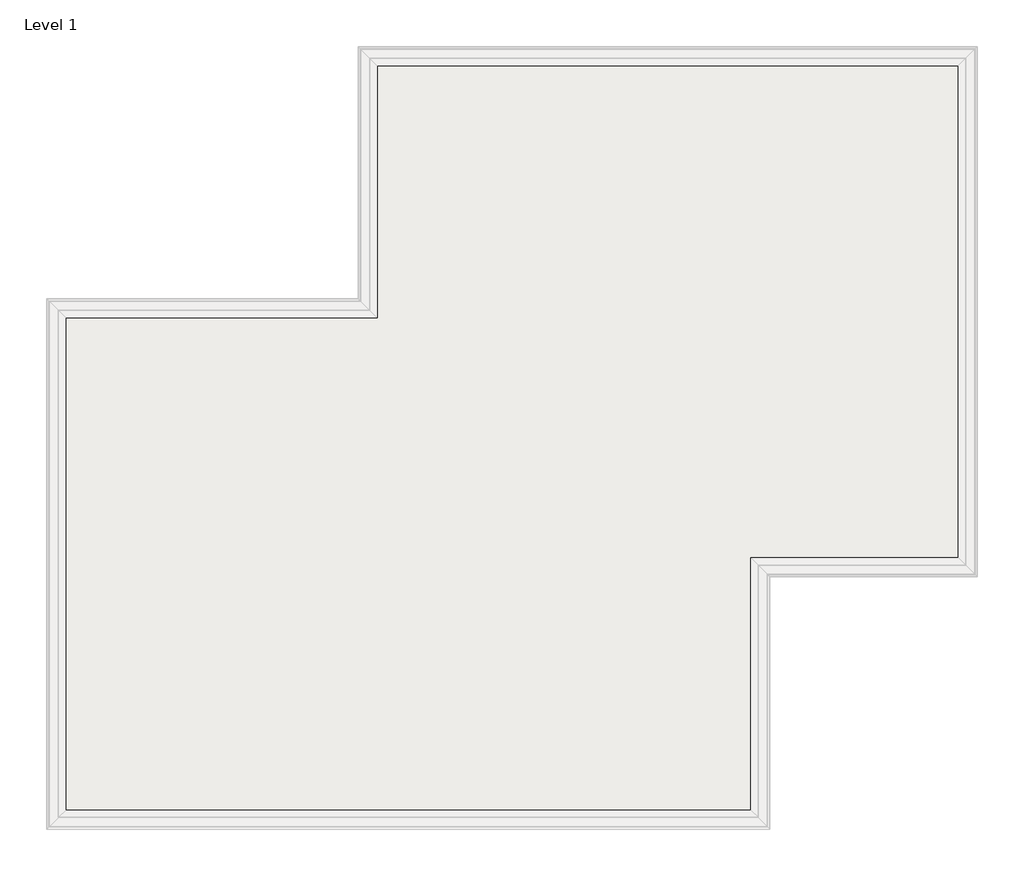
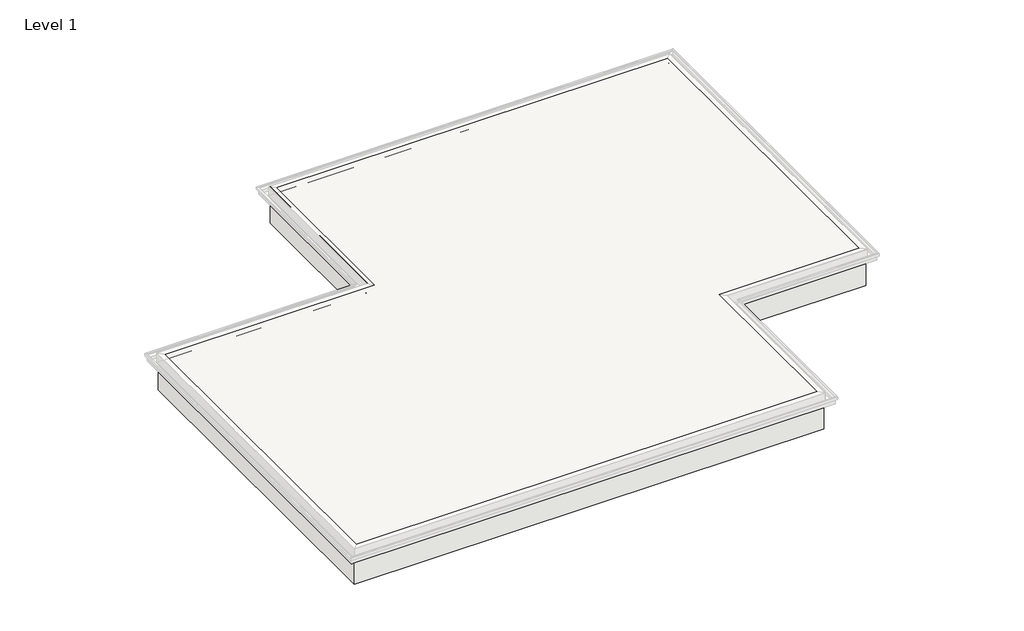
# One storey, part 14 of 16: 1 roof.
"""IFC4 building model written with IfcOpenShell, lengths in millimetres."""

import ifcopenshell
import ifcopenshell.guid

model = None  # the IFC model being written
_history = None  # IfcOwnerHistory: only IFC2X3 demands one
_inside = {}  # id of a spatial element -> (the spatial element, [elements in it])
_under = {}  # id of a project, library or spatial element -> (it, [spatial elements below it])
_declared = {}  # id of a project -> (the project, [libraries it declares])
_typed = {}  # id of a type object -> (the type object, [elements of that type])
_made_of = {}  # id of a material, layer set ... -> (it, [elements and type objects made of it])


def new_model(schema):
    """Start an empty IFC model of exactly this schema.

    Asked for "IFC4X3", IfcOpenShell would pick the latest addendum, in which some entities
    have other attributes; the version numbers below select the first issue.
    IFC2X3 requires an IfcOwnerHistory on every rooted entity: one is made here for all.
    """
    global model, _history
    if schema == "IFC4X3":
        model = ifcopenshell.file(schema_version=(4, 3, 0, 0))
    else:
        model = ifcopenshell.file(schema=schema)
    _inside.clear()
    _under.clear()
    _declared.clear()
    _typed.clear()
    _made_of.clear()
    _history = None
    if model.schema == "IFC2X3":
        org = make("IfcOrganization", Name="unknown")
        user = make(
            "IfcPersonAndOrganization",
            ThePerson=make("IfcPerson", FamilyName="unknown"),
            TheOrganization=org,
        )
        app = make(
            "IfcApplication",
            ApplicationDeveloper=org,
            Version="unknown",
            ApplicationFullName="unknown",
            ApplicationIdentifier="unknown",
        )
        _history = make(
            "IfcOwnerHistory",
            OwningUser=user,
            OwningApplication=app,
            ChangeAction="ADDED",
            CreationDate=0,
        )
    return model


def make(cls, **values):
    """One entity of the class cls with the attributes given. An attribute that is None is left unset."""
    return model.create_entity(
        cls, **{name: value for name, value in values.items() if value is not None}
    )


def rooted(cls, **values):
    """An entity with a GlobalId (a new one), such as an element, a storey or a relation."""
    return make(cls, GlobalId=ifcopenshell.guid.new(), OwnerHistory=_history, **values)


def si_unit(unit_type, name, prefix=None):
    """IfcSIUnit, for example si_unit("LENGTHUNIT", "METRE", prefix="MILLI")."""
    return make("IfcSIUnit", UnitType=unit_type, Prefix=prefix, Name=name)


def assignment(units):
    """IfcUnitAssignment: the units of a project."""
    return None if units is None else make("IfcUnitAssignment", Units=units)


def point(xyz):
    """IfcCartesianPoint."""
    return None if xyz is None else make("IfcCartesianPoint", Coordinates=xyz)


def direction(xyz):
    """IfcDirection."""
    return None if xyz is None else make("IfcDirection", DirectionRatios=xyz)


def frame(location, z_axis=None, x_axis=None):
    """IfcAxis2Placement3D, a coordinate frame: its origin and axes. An axis left out is left unset."""
    return make(
        "IfcAxis2Placement3D",
        Location=point(location),
        Axis=direction(z_axis),
        RefDirection=direction(x_axis),
    )


def origin():
    """The frame at (0, 0, 0) with its axes left unset."""
    return frame((0.0, 0.0, 0.0))


def origin_with_axes():
    """The frame at (0, 0, 0) with the z axis (0, 0, 1) and the x axis (1, 0, 0) written out."""
    return frame((0.0, 0.0, 0.0), z_axis=(0.0, 0.0, 1.0), x_axis=(1.0, 0.0, 0.0))


def place(relative_to, where):
    """IfcLocalPlacement: puts the frame where relative to a parent placement (None: the world)."""
    return make(
        "IfcLocalPlacement", PlacementRelTo=relative_to, RelativePlacement=where
    )


def context(
    kind, dimensions, precision=None, world=None, true_north=None, identifier=None
):
    """IfcGeometricRepresentationContext, for example the 3D "Model" context."""
    return make(
        "IfcGeometricRepresentationContext",
        ContextIdentifier=identifier,
        ContextType=kind,
        CoordinateSpaceDimension=dimensions,
        Precision=precision,
        WorldCoordinateSystem=world,
        TrueNorth=true_north,
    )


def project(units=None, contexts=None):
    """IfcProject with its units and contexts."""
    return rooted(
        "IfcProject",
        Name="project",
        RepresentationContexts=contexts,
        UnitsInContext=assignment(units),
    )


def spatial(cls, under=None, at=None, **own):
    """A site, building, storey or space (cls), placed at a placement, below another one or the project."""
    s = rooted(cls, ObjectPlacement=at, **own)
    if under is not None:
        _under.setdefault(under.id(), (under, []))[1].append(s)
    return s


def polyline(points):
    """IfcPolyline through the points."""
    return make("IfcPolyline", Points=[point(p) for p in points])


def outline(outer, holes=None, kind="AREA"):
    """IfcArbitraryClosedProfileDef: a profile drawn as a closed curve; with holes, ...WithVoids."""
    if holes is None:
        return make("IfcArbitraryClosedProfileDef", ProfileType=kind, OuterCurve=outer)
    return make(
        "IfcArbitraryProfileDefWithVoids",
        ProfileType=kind,
        OuterCurve=outer,
        InnerCurves=holes,
    )


def extrude(swept, where, along, depth):
    """IfcExtrudedAreaSolid: the profile swept, set in the frame where, extruded along a direction by depth."""
    return make(
        "IfcExtrudedAreaSolid",
        SweptArea=swept,
        Position=where,
        ExtrudedDirection=direction(along),
        Depth=depth,
    )


def shape(context_of_items, identifier, shape_type, items):
    """IfcShapeRepresentation: the items that make up one representation, for example the "Body"."""
    return make(
        "IfcShapeRepresentation",
        ContextOfItems=context_of_items,
        RepresentationIdentifier=identifier,
        RepresentationType=shape_type,
        Items=items,
    )


def made_of(thing, what):
    """Note that an element or type object is made of a material, layer set ...; save() writes the relation."""
    if what is not None:
        _made_of.setdefault(what.id(), (what, []))[1].append(thing)
    return thing


def element(
    cls,
    number,
    at=None,
    inside=None,
    cuts=None,
    type_object=None,
    material=None,
    context=None,
    identifier="Body",
    shape_type=None,
    held_by="IfcProductDefinitionShape",
    body=None,
    shapes=None,
    **own,
):
    """One element of the class cls, such as IfcWall. Its Tag is "e" and its number.

    at: its placement. inside: the storey or other place that contains it. cuts: it is an
    opening in that element (IfcRelVoidsElement). A single representation is given by context,
    identifier, shape_type and body (its items); several are given by shapes. held_by: the class
    of the entity that holds the representations. save() writes the other relations.
    """
    e = rooted(cls, Tag="e%d" % number, ObjectPlacement=at, **own)
    if body is not None:
        shapes = [shape(context, identifier, shape_type, body)]
    if shapes is not None:
        e.Representation = make(held_by, Representations=shapes)
    if inside is not None:
        _inside.setdefault(inside.id(), (inside, []))[1].append(e)
    if cuts is not None:
        rooted(
            "IfcRelVoidsElement", RelatingBuildingElement=cuts, RelatedOpeningElement=e
        )
    if type_object is not None:
        _typed.setdefault(type_object.id(), (type_object, []))[1].append(e)
    return made_of(e, material)


def aggregate(whole, parts):
    """IfcRelAggregates: a whole, such as a stair, and the parts it consists of."""
    return rooted("IfcRelAggregates", RelatingObject=whole, RelatedObjects=parts)


def save(model, path):
    """Write the relations noted so far, then the file.

    IfcRelAggregates (storeys below a building ...), IfcRelContainedInSpatialStructure (elements
    in a storey), IfcRelDefinesByType, IfcRelAssociatesMaterial and IfcRelDeclares: one each for
    every whole, place, type object, material and project.
    """
    for whole, parts in _under.values():
        aggregate(whole, parts)
    for where, things in _inside.values():
        rooted(
            "IfcRelContainedInSpatialStructure",
            RelatedElements=things,
            RelatingStructure=where,
        )
    for kind, things in _typed.values():
        rooted("IfcRelDefinesByType", RelatedObjects=things, RelatingType=kind)
    for what, things in _made_of.values():
        rooted("IfcRelAssociatesMaterial", RelatedObjects=things, RelatingMaterial=what)
    for by, libraries in _declared.values():
        rooted("IfcRelDeclares", RelatingContext=by, RelatedDefinitions=libraries)
    model.write(path)


model = new_model("IFC4")

# Units and contexts
model_context = context("Model", 3, world=origin())
ifc_project = project(units=[si_unit("LENGTHUNIT", "METRE", prefix="MILLI")], contexts=[model_context])

# Site, building, storey
site = spatial("IfcSite", under=ifc_project)
building = spatial("IfcBuilding", under=site)
storey = spatial("IfcBuildingStorey", under=building, Name="Level 1", Elevation=0.0)

# Roof
placement = place(None, origin())
element("IfcRoof", 1, at=placement, inside=storey, context=model_context, shape_type="SweptSolid", body=[
    extrude(outline(polyline([(-2472.1474759, 7918.9689141), (-2472.1474759, 2737.3689141), (-4605.7474759, 2737.3689141), (-4605.7474759, 146.5689141), (-11768.5474759, 146.5689141), (-11768.5474759, 5328.1689141), (-8568.1474759, 5328.1689141), (-8568.1474759, 7918.9689141), (-2472.1474759, 7918.9689141)])), origin_with_axes(), (0.0, 0.0, 1.0), 584.2),
])

save(model, "model.ifc")
